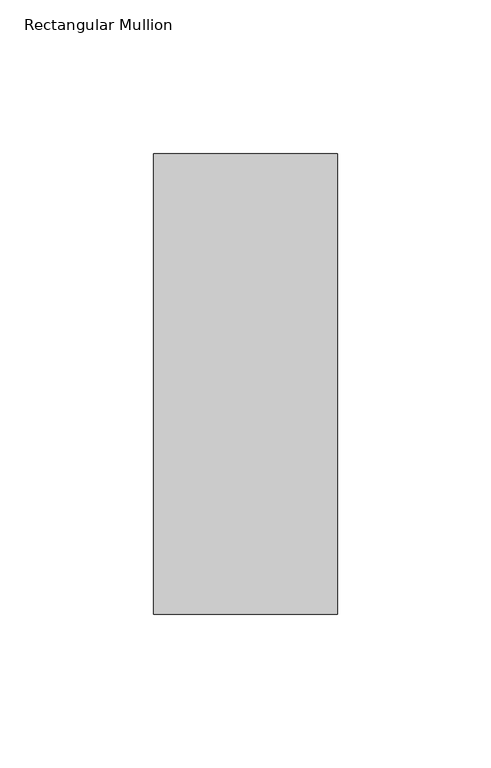
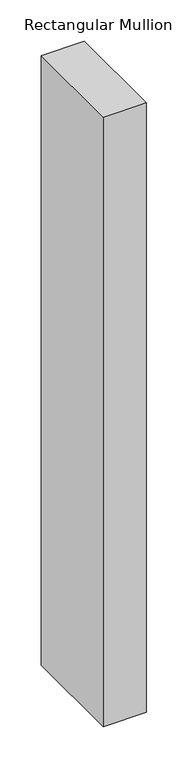
"""IFC4 building model written with IfcOpenShell, lengths in millimetres: member geometry, Rectangular Mullion."""

from ifc_helpers import new_model, si_unit, frame, origin, place, context, project, spatial, polyline, outline, extrude, source, transform, mapped, element, save


def rectangular_mullion_0462609c(model_context):
    return source(origin(), model_context, "Body", "SweptSolid", [
        extrude(outline(polyline([(30.0, 75.0), (30.0, -75.0), (-30.0, -75.0), (-30.0, 75.0), (30.0, 75.0)])), frame((0.0, 0.0, -900.0), z_axis=(0.0, 0.0, 1.0), x_axis=(1.0, 0.0, 0.0)), (0.0, 0.0, 1.0), 900.0),
    ])


if __name__ == "__main__":
    model = new_model("IFC4")
    model_context = context("Model", 3, world=origin())
    ifc_project = project(units=[si_unit("LENGTHUNIT", "METRE", prefix="MILLI")], contexts=[model_context])
    site = spatial("IfcSite", under=ifc_project)
    building = spatial("IfcBuilding", under=site)
    placement = place(None, origin())
    rectangular_mullion_shape = rectangular_mullion_0462609c(model_context)
    element("IfcMember", 1, ObjectType="Rectangular Mullion", at=placement, inside=building, context=model_context, shape_type="MappedRepresentation", body=[
        mapped(rectangular_mullion_shape, transform((0.0, 0.0, 0.0), x_axis=(1.0, 0.0, 0.0), y_axis=(0.0, 1.0, 0.0), z_axis=(0.0, 0.0, 1.0))),
    ])
    save(model, "model.ifc")
